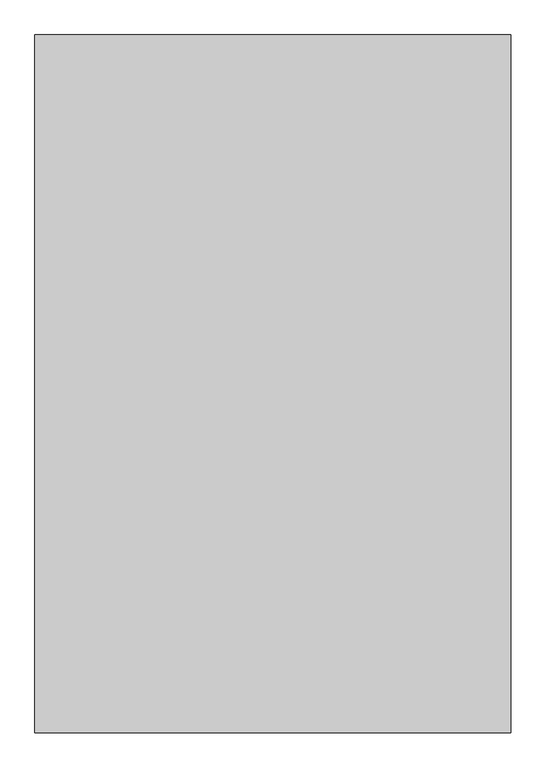
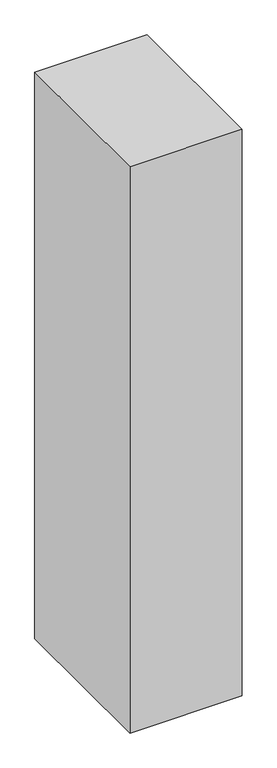
"""IFC4 building model written with IfcOpenShell, lengths in millimetres: proxy geometry."""

from ifc_helpers import new_model, si_unit, frame, origin, place, context, project, spatial, polyline, outline, extrude, source, transform, mapped, element, save


def generic_models_988a3b25(model_context):
    return source(origin(), model_context, "Body", "SweptSolid", [
        extrude(outline(polyline([(1500.0, 1790.3998032), (1500.0, -409.6001968), (0.0, -409.6001968), (0.0, 1790.3998032), (1500.0, 1790.3998032)])), frame((0.0, 0.0, 1500.0), z_axis=(0.0, 0.0, 1.0), x_axis=(1.0, 0.0, 0.0)), (0.0, 0.0, 1.0), 8000.0),
    ])


if __name__ == "__main__":
    model = new_model("IFC4")
    model_context = context("Model", 3, world=origin())
    ifc_project = project(units=[si_unit("LENGTHUNIT", "METRE", prefix="MILLI")], contexts=[model_context])
    site = spatial("IfcSite", under=ifc_project)
    building = spatial("IfcBuilding", under=site)
    placement = place(None, origin())
    generic_models_shape = generic_models_988a3b25(model_context)
    element("IfcBuildingElementProxy", 1, Name="Generic Models", at=placement, inside=building, context=model_context, shape_type="MappedRepresentation", body=[
        mapped(generic_models_shape, transform((0.0, 0.0, 0.0), x_axis=(1.0, 0.0, 0.0), y_axis=(0.0, 1.0, 0.0), z_axis=(0.0, 0.0, 1.0))),
    ])
    save(model, "model.ifc")
